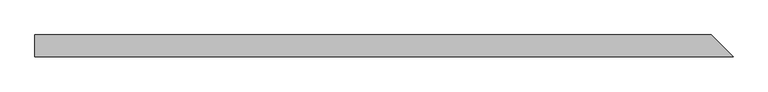
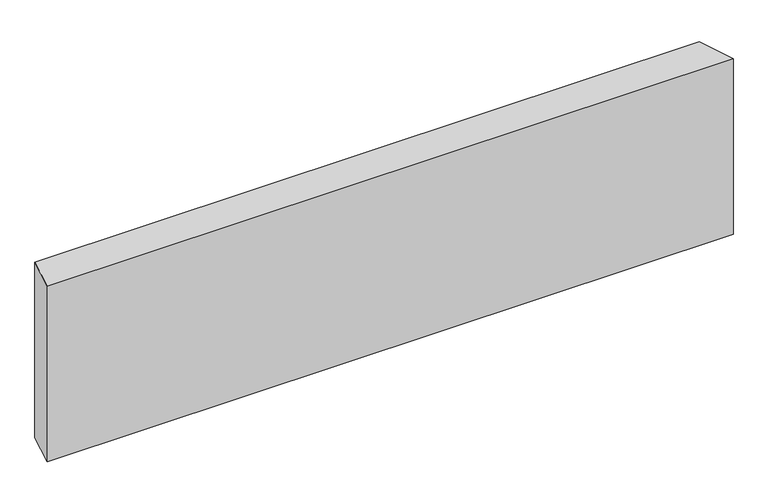
"""IFC4 building model written with IfcOpenShell, lengths in millimetres: beam geometry."""

import ifcopenshell
import ifcopenshell.guid

model = None  # the IFC model being written
_history = None  # IfcOwnerHistory: only IFC2X3 demands one
_inside = {}  # id of a spatial element -> (the spatial element, [elements in it])
_under = {}  # id of a project, library or spatial element -> (it, [spatial elements below it])
_declared = {}  # id of a project -> (the project, [libraries it declares])
_typed = {}  # id of a type object -> (the type object, [elements of that type])
_made_of = {}  # id of a material, layer set ... -> (it, [elements and type objects made of it])


def new_model(schema):
    """Start an empty IFC model of exactly this schema.

    Asked for "IFC4X3", IfcOpenShell would pick the latest addendum, in which some entities
    have other attributes; the version numbers below select the first issue.
    IFC2X3 requires an IfcOwnerHistory on every rooted entity: one is made here for all.
    """
    global model, _history
    if schema == "IFC4X3":
        model = ifcopenshell.file(schema_version=(4, 3, 0, 0))
    else:
        model = ifcopenshell.file(schema=schema)
    _inside.clear()
    _under.clear()
    _declared.clear()
    _typed.clear()
    _made_of.clear()
    _history = None
    if model.schema == "IFC2X3":
        org = make("IfcOrganization", Name="unknown")
        user = make(
            "IfcPersonAndOrganization",
            ThePerson=make("IfcPerson", FamilyName="unknown"),
            TheOrganization=org,
        )
        app = make(
            "IfcApplication",
            ApplicationDeveloper=org,
            Version="unknown",
            ApplicationFullName="unknown",
            ApplicationIdentifier="unknown",
        )
        _history = make(
            "IfcOwnerHistory",
            OwningUser=user,
            OwningApplication=app,
            ChangeAction="ADDED",
            CreationDate=0,
        )
    return model


def make(cls, **values):
    """One entity of the class cls with the attributes given. An attribute that is None is left unset."""
    return model.create_entity(
        cls, **{name: value for name, value in values.items() if value is not None}
    )


def rooted(cls, **values):
    """An entity with a GlobalId (a new one), such as an element, a storey or a relation."""
    return make(cls, GlobalId=ifcopenshell.guid.new(), OwnerHistory=_history, **values)


def si_unit(unit_type, name, prefix=None):
    """IfcSIUnit, for example si_unit("LENGTHUNIT", "METRE", prefix="MILLI")."""
    return make("IfcSIUnit", UnitType=unit_type, Prefix=prefix, Name=name)


def assignment(units):
    """IfcUnitAssignment: the units of a project."""
    return None if units is None else make("IfcUnitAssignment", Units=units)


def point(xyz):
    """IfcCartesianPoint."""
    return None if xyz is None else make("IfcCartesianPoint", Coordinates=xyz)


def direction(xyz):
    """IfcDirection."""
    return None if xyz is None else make("IfcDirection", DirectionRatios=xyz)


def frame(location, z_axis=None, x_axis=None):
    """IfcAxis2Placement3D, a coordinate frame: its origin and axes. An axis left out is left unset."""
    return make(
        "IfcAxis2Placement3D",
        Location=point(location),
        Axis=direction(z_axis),
        RefDirection=direction(x_axis),
    )


def origin():
    """The frame at (0, 0, 0) with its axes left unset."""
    return frame((0.0, 0.0, 0.0))


def place(relative_to, where):
    """IfcLocalPlacement: puts the frame where relative to a parent placement (None: the world)."""
    return make(
        "IfcLocalPlacement", PlacementRelTo=relative_to, RelativePlacement=where
    )


def context(
    kind, dimensions, precision=None, world=None, true_north=None, identifier=None
):
    """IfcGeometricRepresentationContext, for example the 3D "Model" context."""
    return make(
        "IfcGeometricRepresentationContext",
        ContextIdentifier=identifier,
        ContextType=kind,
        CoordinateSpaceDimension=dimensions,
        Precision=precision,
        WorldCoordinateSystem=world,
        TrueNorth=true_north,
    )


def project(units=None, contexts=None):
    """IfcProject with its units and contexts."""
    return rooted(
        "IfcProject",
        Name="project",
        RepresentationContexts=contexts,
        UnitsInContext=assignment(units),
    )


def spatial(cls, under=None, at=None, **own):
    """A site, building, storey or space (cls), placed at a placement, below another one or the project."""
    s = rooted(cls, ObjectPlacement=at, **own)
    if under is not None:
        _under.setdefault(under.id(), (under, []))[1].append(s)
    return s


def faces_of(points, faces, orient=None, outer=None):
    """IfcFace entities. A face is a list of loops; a loop is a list of indices into points, from 0.

    orient and outer hold one flag for each loop. By default every Orientation is true, the
    first loop of a face is its IfcFaceOuterBound and the others are IfcFaceBound.
    """
    made = []
    for i, loops in enumerate(faces):
        bounds = []
        for j, loop in enumerate(loops):
            is_outer = j == 0 if outer is None else outer[i][j]
            bounds.append(
                make(
                    "IfcFaceOuterBound" if is_outer else "IfcFaceBound",
                    Bound=make("IfcPolyLoop", Polygon=[points[k] for k in loop]),
                    Orientation=True if orient is None else orient[i][j],
                )
            )
        made.append(make("IfcFace", Bounds=bounds))
    return made


def faceted_brep(points, faces, orient=None, outer=None, voids=None):
    """IfcFacetedBrep: a solid bounded by flat faces; with voids (closed shells), ...WithVoids."""
    shared = [point(p) for p in points]
    hull = make("IfcClosedShell", CfsFaces=faces_of(shared, faces, orient, outer))
    if voids is None:
        return make("IfcFacetedBrep", Outer=hull)
    return make(
        "IfcFacetedBrepWithVoids",
        Outer=hull,
        Voids=[
            make(cls, CfsFaces=faces_of(shared, fs, o, b)) for cls, fs, o, b in voids
        ],
    )


def shape(context_of_items, identifier, shape_type, items):
    """IfcShapeRepresentation: the items that make up one representation, for example the "Body"."""
    return make(
        "IfcShapeRepresentation",
        ContextOfItems=context_of_items,
        RepresentationIdentifier=identifier,
        RepresentationType=shape_type,
        Items=items,
    )


def source(mapping_origin, context_of_items, identifier, shape_type, items):
    """IfcRepresentationMap: a shape defined once, which mapped items show again and again."""
    return make(
        "IfcRepresentationMap",
        MappingOrigin=mapping_origin,
        MappedRepresentation=shape(context_of_items, identifier, shape_type, items),
    )


def transform(
    local_origin,
    x_axis=None,
    y_axis=None,
    z_axis=None,
    scale=None,
    scale2=None,
    scale3=None,
    uniform=True,
):
    """IfcCartesianTransformationOperator3D, or its non-uniform kind. x_axis, y_axis, z_axis: its Axis1, 2, 3."""
    if uniform:
        return make(
            "IfcCartesianTransformationOperator3D",
            Axis1=direction(x_axis),
            Axis2=direction(y_axis),
            LocalOrigin=point(local_origin),
            Scale=scale,
            Axis3=direction(z_axis),
        )
    return make(
        "IfcCartesianTransformationOperator3DnonUniform",
        Axis1=direction(x_axis),
        Axis2=direction(y_axis),
        LocalOrigin=point(local_origin),
        Scale=scale,
        Axis3=direction(z_axis),
        Scale2=scale2,
        Scale3=scale3,
    )


def mapped(mapping_source, mapping_target):
    """IfcMappedItem: shows the shape of a source again, moved by a transform."""
    return make(
        "IfcMappedItem", MappingSource=mapping_source, MappingTarget=mapping_target
    )


def made_of(thing, what):
    """Note that an element or type object is made of a material, layer set ...; save() writes the relation."""
    if what is not None:
        _made_of.setdefault(what.id(), (what, []))[1].append(thing)
    return thing


def element(
    cls,
    number,
    at=None,
    inside=None,
    cuts=None,
    type_object=None,
    material=None,
    context=None,
    identifier="Body",
    shape_type=None,
    held_by="IfcProductDefinitionShape",
    body=None,
    shapes=None,
    **own,
):
    """One element of the class cls, such as IfcWall. Its Tag is "e" and its number.

    at: its placement. inside: the storey or other place that contains it. cuts: it is an
    opening in that element (IfcRelVoidsElement). A single representation is given by context,
    identifier, shape_type and body (its items); several are given by shapes. held_by: the class
    of the entity that holds the representations. save() writes the other relations.
    """
    e = rooted(cls, Tag="e%d" % number, ObjectPlacement=at, **own)
    if body is not None:
        shapes = [shape(context, identifier, shape_type, body)]
    if shapes is not None:
        e.Representation = make(held_by, Representations=shapes)
    if inside is not None:
        _inside.setdefault(inside.id(), (inside, []))[1].append(e)
    if cuts is not None:
        rooted(
            "IfcRelVoidsElement", RelatingBuildingElement=cuts, RelatedOpeningElement=e
        )
    if type_object is not None:
        _typed.setdefault(type_object.id(), (type_object, []))[1].append(e)
    return made_of(e, material)


def aggregate(whole, parts):
    """IfcRelAggregates: a whole, such as a stair, and the parts it consists of."""
    return rooted("IfcRelAggregates", RelatingObject=whole, RelatedObjects=parts)


def save(model, path):
    """Write the relations noted so far, then the file.

    IfcRelAggregates (storeys below a building ...), IfcRelContainedInSpatialStructure (elements
    in a storey), IfcRelDefinesByType, IfcRelAssociatesMaterial and IfcRelDeclares: one each for
    every whole, place, type object, material and project.
    """
    for whole, parts in _under.values():
        aggregate(whole, parts)
    for where, things in _inside.values():
        rooted(
            "IfcRelContainedInSpatialStructure",
            RelatedElements=things,
            RelatingStructure=where,
        )
    for kind, things in _typed.values():
        rooted("IfcRelDefinesByType", RelatedObjects=things, RelatingType=kind)
    for what, things in _made_of.values():
        rooted("IfcRelAssociatesMaterial", RelatedObjects=things, RelatingMaterial=what)
    for by, libraries in _declared.values():
        rooted("IfcRelDeclares", RelatingContext=by, RelatedDefinitions=libraries)
    model.write(path)


def beam_2eb3c0b3(model_context):
    return source(origin(), model_context, "Body", "Brep", [
        faceted_brep([(620.8796158, -19.05, 154.2944112), (-601.8296158, -19.05, 154.2944112), (-601.8296158, -19.05, -176.5194112), (620.8796158, -19.05, -176.5194112), (582.7796158, 19.05, 176.5194112), (582.7796158, 19.05, -154.2944112), (-601.8296158, 19.05, -154.2944112), (-601.8296158, 19.05, 176.5194112)], [[[0, 1, 2, 3]], [[4, 5, 6, 7]], [[5, 4, 0, 3]], [[6, 5, 3, 2]], [[7, 6, 2, 1]], [[4, 7, 1, 0]]]),
    ])


if __name__ == "__main__":
    model = new_model("IFC4")
    model_context = context("Model", 3, world=origin())
    ifc_project = project(units=[si_unit("LENGTHUNIT", "METRE", prefix="MILLI")], contexts=[model_context])
    site = spatial("IfcSite", under=ifc_project)
    building = spatial("IfcBuilding", under=site)
    placement = place(None, origin())
    beam_shape = beam_2eb3c0b3(model_context)
    element("IfcBeam", 1, at=placement, inside=building, context=model_context, shape_type="MappedRepresentation", body=[
        mapped(beam_shape, transform((0.0, 0.0, 0.0), x_axis=(1.0, 0.0, 0.0), y_axis=(0.0, 1.0, 0.0), z_axis=(0.0, 0.0, 1.0))),
    ])
    save(model, "model.ifc")
